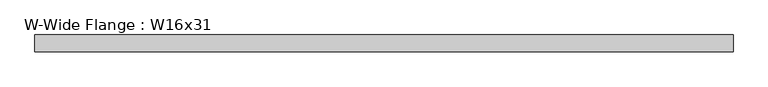
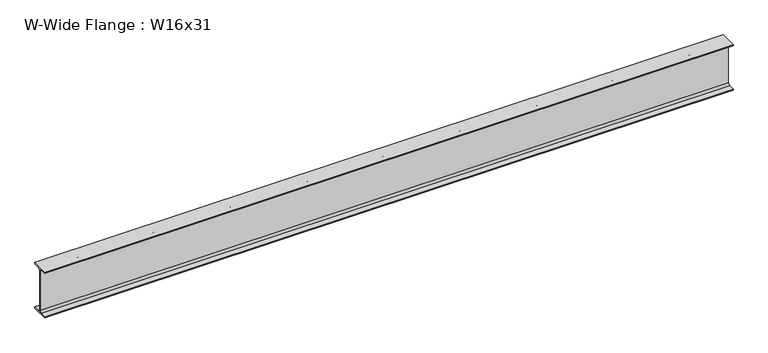
"""IFC4 building model written with IfcOpenShell, lengths in millimetres: beam geometry, W-Wide Flange : W16x31."""

from ifc_helpers import new_model, si_unit, point, frame, frame_2d, origin, place, context, project, spatial, polyline, circle_curve, trimmed, segment, composite_curve, outline, extrude, source, transform, mapped, element, save


def w_wide_flange_w16x31_a4d27a77(model_context):
    return source(origin(), model_context, "Body", "SweptSolid", [
        extrude(outline(composite_curve([segment(polyline([(70.231, -190.754), (70.231, -201.93), (-70.231, -201.93), (-70.231, -190.754), (-20.8915, -190.754)]), True, "CONTINUOUS"), segment(trimmed(circle_curve(frame_2d((-20.8915, -173.355)), 17.399), [point((-20.8915, -190.754))], [point((-3.4925, -173.355))], True, "CARTESIAN"), True, "CONTINUOUS"), segment(polyline([(-3.4925, -173.355), (-3.4925, 173.355)]), True, "CONTINUOUS"), segment(trimmed(circle_curve(frame_2d((-20.8915, 173.355)), 17.399), [point((-3.4925, 173.355))], [point((-20.8915, 190.754))], True, "CARTESIAN"), True, "CONTINUOUS"), segment(polyline([(-20.8915, 190.754), (-70.231, 190.754), (-70.231, 201.93), (70.231, 201.93), (70.231, 190.754), (20.8915, 190.754)]), True, "CONTINUOUS"), segment(trimmed(circle_curve(frame_2d((20.8915, 173.355)), 17.399), [point((20.8915, 190.754))], [point((3.4925, 173.355))], True, "CARTESIAN"), True, "CONTINUOUS"), segment(polyline([(3.4925, 173.355), (3.4925, -173.355)]), True, "CONTINUOUS"), segment(trimmed(circle_curve(frame_2d((20.8915, -173.355)), 17.399), [point((3.4925, -173.355))], [point((20.8915, -190.754))], True, "CARTESIAN"), True, "CONTINUOUS"), segment(polyline([(20.8915, -190.754), (70.231, -190.754)]), True, "CONTINUOUS")], self_intersect=False)), frame((-2871.47, 0.0, 0.0), z_axis=(1.0, 0.0, 0.0), x_axis=(0.0, 1.0, 0.0)), (0.0, 0.0, 1.0), 5742.94),
    ])


if __name__ == "__main__":
    model = new_model("IFC4")
    model_context = context("Model", 3, world=origin())
    ifc_project = project(units=[si_unit("LENGTHUNIT", "METRE", prefix="MILLI")], contexts=[model_context])
    site = spatial("IfcSite", under=ifc_project)
    building = spatial("IfcBuilding", under=site)
    placement = place(None, origin())
    w_wide_flange_w16x31_shape = w_wide_flange_w16x31_a4d27a77(model_context)
    element("IfcBeam", 1, ObjectType="W-Wide Flange : W16x31", at=placement, inside=building, context=model_context, shape_type="MappedRepresentation", body=[
        mapped(w_wide_flange_w16x31_shape, transform((0.0, 0.0, 0.0), x_axis=(1.0, 0.0, 0.0), y_axis=(0.0, 1.0, 0.0), z_axis=(0.0, 0.0, 1.0))),
    ])
    save(model, "model.ifc")
